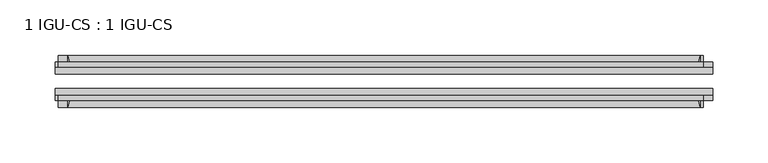
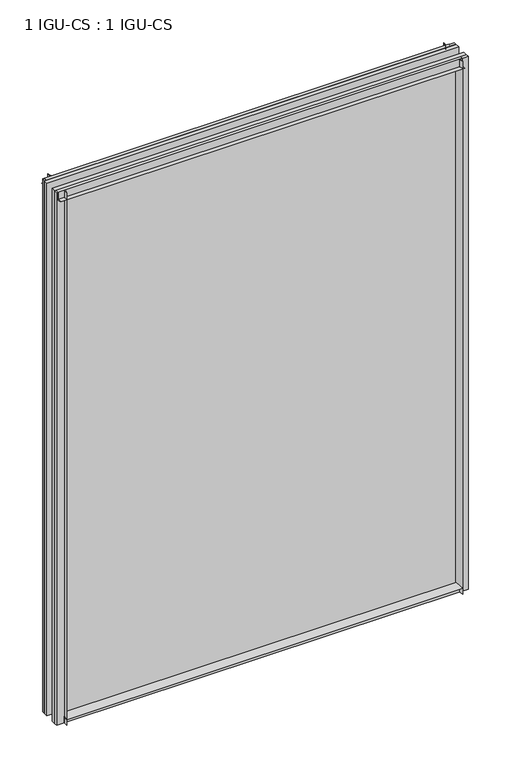
"""IFC4 building model written with IfcOpenShell, lengths in millimetres: plate geometry, 1 IGU-CS : 1 IGU-CS."""

from ifc_helpers import new_model, si_unit, point, frame, frame_2d, origin, place, context, project, spatial, polyline, circle_curve, trimmed, segment, composite_curve, outline, extrude, source, transform, mapped, element, save


def plate_1_igu_cs_1_igu_cs_130316b5(model_context):
    return source(origin(), model_context, "Body", "SweptSolid", [
        extrude(outline(composite_curve([segment(polyline([(-74.6252, -8.73125), (-74.6252, -0.0097454), (-80.6504332, -0.0097454)]), True, "CONTINUOUS"), segment(trimmed(circle_curve(frame_2d((-86.2258203, 32.2797688)), 32.7673262), [point((-80.6504332, -0.0097454))], [point((-69.85, 3.8979053))], True, "CARTESIAN"), True, "CONTINUOUS"), segment(polyline([(-69.85, 3.8979053), (-69.85, -8.73125), (-74.6252, -8.73125)]), True, "CONTINUOUS")], self_intersect=False)), frame((-284.95625, 0.0, 0.0), z_axis=(1.0, 0.0, 0.0), x_axis=(0.0, 1.0, 0.0)), (0.0, 0.0, 1.0), 569.9125),
        extrude(outline(composite_curve([segment(polyline([(-39.6748, -8.73125), (-44.45, -8.73125), (-44.45, 3.8979053)]), True, "CONTINUOUS"), segment(trimmed(circle_curve(frame_2d((-28.0741797, 32.2797688)), 32.7673262), [point((-44.45, 3.8979053))], [point((-33.6495668, -0.0097454))], True, "CARTESIAN"), True, "CONTINUOUS"), segment(polyline([(-33.6495668, -0.0097454), (-39.6748, -0.0097454), (-39.6748, -8.73125)]), True, "CONTINUOUS")], self_intersect=False)), frame((-284.95625, 0.0, 0.0), z_axis=(1.0, 0.0, 0.0), x_axis=(0.0, 1.0, 0.0)), (0.0, 0.0, 1.0), 569.9125),
        extrude(outline(composite_curve([segment(polyline([(-80.5942, 790.575), (-74.6252, 790.575), (-74.6252, 801.6875), (-69.85, 801.6875), (-69.85, 786.6771095)]), True, "CONTINUOUS"), segment(trimmed(circle_curve(frame_2d((-86.2258203, 758.295246)), 32.7673262), [point((-69.85, 786.6771095))], [point((-80.5942, 790.575))], True, "CARTESIAN"), True, "CONTINUOUS")], self_intersect=False)), frame((-293.4689886, 0.0, 0.0), z_axis=(1.0, 0.0, 0.0), x_axis=(0.0, 1.0, 0.0)), (0.0, 0.0, 1.0), 580.9712001),
        extrude(outline(composite_curve([segment(polyline([(-39.6748, 801.6875), (-39.6748, 790.575), (-33.7058, 790.575)]), True, "CONTINUOUS"), segment(trimmed(circle_curve(frame_2d((-28.0741797, 758.295246)), 32.7673262), [point((-33.7058, 790.575))], [point((-44.45, 786.6771095))], True, "CARTESIAN"), True, "CONTINUOUS"), segment(polyline([(-44.45, 786.6771095), (-44.45, 801.6875), (-39.6748, 801.6875)]), True, "CONTINUOUS")], self_intersect=False)), frame((-293.4689886, 0.0, 0.0), z_axis=(1.0, 0.0, 0.0), x_axis=(0.0, 1.0, 0.0)), (0.0, 0.0, 1.0), 580.9712001),
        extrude(outline(composite_curve([segment(polyline([(296.06875, -39.6748), (296.06875, -44.45), (281.0583595, -44.45)]), True, "CONTINUOUS"), segment(trimmed(circle_curve(frame_2d((252.676496, -28.0741797)), 32.7673262), [point((281.0583595, -44.45))], [point((284.95625, -33.7058))], True, "CARTESIAN"), True, "CONTINUOUS"), segment(polyline([(284.95625, -33.7058), (284.95625, -39.6748), (296.06875, -39.6748)]), True, "CONTINUOUS")], self_intersect=False)), frame((0.0, 0.0, -8.73125), z_axis=(0.0, 0.0, 1.0), x_axis=(1.0, 0.0, 0.0)), (0.0, 0.0, 1.0), 810.41875),
        extrude(outline(composite_curve([segment(polyline([(296.06875, -69.85), (296.06875, -74.6252), (284.95625, -74.6252), (284.95625, -80.5942)]), True, "CONTINUOUS"), segment(trimmed(circle_curve(frame_2d((252.676496, -86.2258203)), 32.7673262), [point((284.95625, -80.5942))], [point((281.0583595, -69.85))], True, "CARTESIAN"), True, "CONTINUOUS"), segment(polyline([(281.0583595, -69.85), (296.06875, -69.85)]), True, "CONTINUOUS")], self_intersect=False)), frame((0.0, 0.0, -8.73125), z_axis=(0.0, 0.0, 1.0), x_axis=(1.0, 0.0, 0.0)), (0.0, 0.0, 1.0), 810.41875),
        extrude(outline(composite_curve([segment(polyline([(-296.06875, -39.6748), (-284.95625, -39.6748), (-284.95625, -33.7058)]), True, "CONTINUOUS"), segment(trimmed(circle_curve(frame_2d((-252.676496, -28.0741797)), 32.7673262), [point((-284.95625, -33.7058))], [point((-281.0583595, -44.45))], True, "CARTESIAN"), True, "CONTINUOUS"), segment(polyline([(-281.0583595, -44.45), (-296.06875, -44.45), (-296.06875, -39.6748)]), True, "CONTINUOUS")], self_intersect=False)), frame((0.0, 0.0, -8.73125), z_axis=(0.0, 0.0, 1.0), x_axis=(1.0, 0.0, 0.0)), (0.0, 0.0, 1.0), 810.41875),
        extrude(outline(composite_curve([segment(polyline([(-296.06875, -74.6252), (-296.06875, -69.85), (-281.0583595, -69.85)]), True, "CONTINUOUS"), segment(trimmed(circle_curve(frame_2d((-252.676496, -86.2258203)), 32.7673262), [point((-281.0583595, -69.85))], [point((-284.95625, -80.5942))], True, "CARTESIAN"), True, "CONTINUOUS"), segment(polyline([(-284.95625, -80.5942), (-284.95625, -74.6252), (-296.06875, -74.6252)]), True, "CONTINUOUS")], self_intersect=False)), frame((0.0, 0.0, -8.73125), z_axis=(0.0, 0.0, 1.0), x_axis=(1.0, 0.0, 0.0)), (0.0, 0.0, 1.0), 810.41875),
        extrude(outline(polyline([(-296.06875, -69.85), (-296.06875, -63.5508), (296.06875, -63.5508), (296.06875, -69.85), (-296.06875, -69.85)])), frame((0.0, 0.0, -8.73125), z_axis=(0.0, 0.0, 1.0), x_axis=(1.0, 0.0, 0.0)), (0.0, 0.0, 1.0), 810.41875),
        extrude(outline(polyline([(296.06875, -50.7492), (-296.06875, -50.7492), (-296.06875, -44.45), (296.06875, -44.45), (296.06875, -50.7492)])), frame((0.0, 0.0, -8.73125), z_axis=(0.0, 0.0, 1.0), x_axis=(1.0, 0.0, 0.0)), (0.0, 0.0, 1.0), 810.41875),
    ])


if __name__ == "__main__":
    model = new_model("IFC4")
    model_context = context("Model", 3, world=origin())
    ifc_project = project(units=[si_unit("LENGTHUNIT", "METRE", prefix="MILLI")], contexts=[model_context])
    site = spatial("IfcSite", under=ifc_project)
    building = spatial("IfcBuilding", under=site)
    placement = place(None, origin())
    plate_1_igu_cs_1_igu_cs_shape = plate_1_igu_cs_1_igu_cs_130316b5(model_context)
    element("IfcPlate", 1, ObjectType="1 IGU-CS : 1 IGU-CS", at=placement, inside=building, context=model_context, shape_type="MappedRepresentation", body=[
        mapped(plate_1_igu_cs_1_igu_cs_shape, transform((0.0, 0.0, 0.0), x_axis=(1.0, 0.0, 0.0), y_axis=(0.0, 1.0, 0.0), z_axis=(0.0, 0.0, 1.0))),
    ])
    save(model, "model.ifc")
